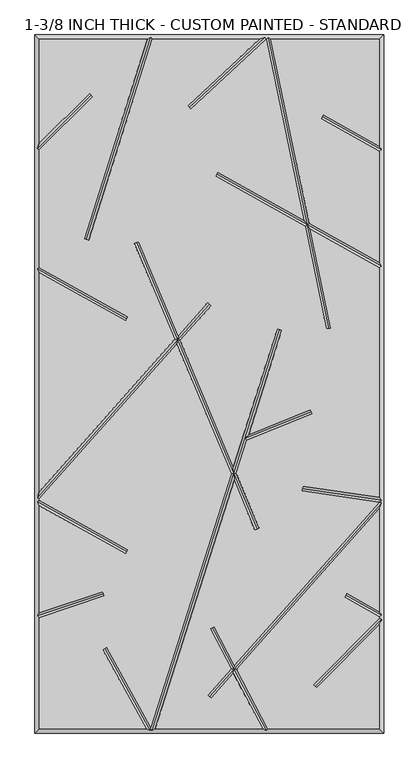
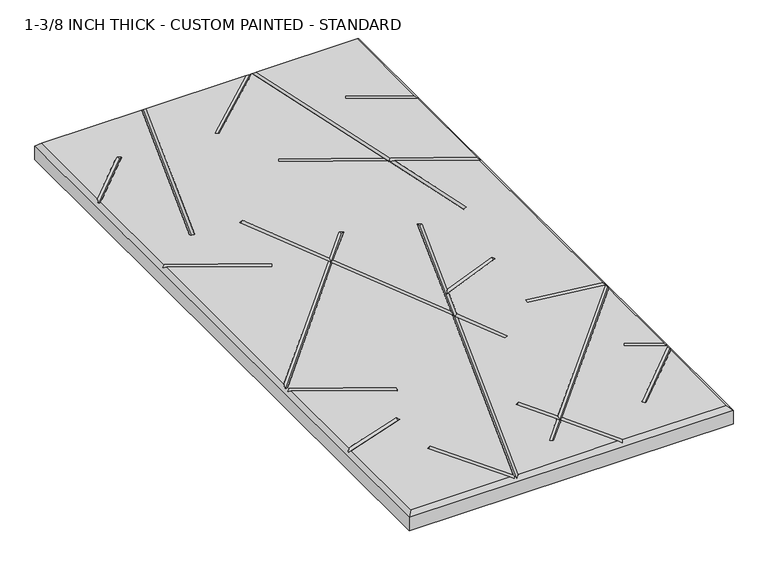
"""IFC4 building model written with IfcOpenShell, lengths in millimetres: proxy geometry, 1-3/8 INCH THICK - CUSTOM PAINTED - STANDARD."""

from ifc_helpers import new_model, si_unit, origin, place, context, project, spatial, faceted_brep, source, transform, mapped, element, save


def proxy_1_3_8_inch_thick_custom_painted_standard_042052c3(model_context):
    return source(origin(), model_context, "Body", "Brep", [
        faceted_brep([(-296.799, 601.599, 34.925), (-296.799, 420.0585614, 34.925), (-209.465267, 507.3922944, 34.925), (-203.8077056, 501.734733, 34.925), (-296.799, 408.7434386, 34.925), (-296.799, 203.3118869, 34.925), (-142.5916835, 117.1439143, 34.925), (-146.4945108, 110.1593642, 34.925), (-296.799, 194.1465147, 34.925), (-296.799, -188.1783655, 34.925), (-60.414797, 77.7314881, 34.925), (-130.9100687, 245.4965414, 34.925), (-123.5338229, 248.5960573, 34.925), (-54.5217155, 84.360647, 34.925), (-2.9898999, 142.3290618, 34.925), (2.9898999, 137.0132369, 34.925), (-51.0856167, 76.1833992, 34.925), (41.8198404, -144.9135422, 34.925), (118.4676512, 96.3670459, 34.925), (126.0931354, 93.9446518, 34.925), (68.2308495, -88.200751, 34.925), (176.389257, -44.7967941, 34.925), (179.3690728, -52.2222031, 34.925), (65.0919979, -98.0815805, 34.925), (46.6006106, -156.2908465, 34.925), (86.8913986, -252.1750957, 34.925), (79.5151528, -255.2746116, 34.925), (42.86425, -168.0525821, 34.925), (-94.8608114, -601.599, 34.925), (92.8718763, -601.599, 34.925), (41.9909547, -504.8565668, 34.925), (2.9898999, -548.7290618, 34.925), (-2.9898999, -543.4132369, 34.925), (38.011603, -497.2904271, 34.925), (1.2803392, -427.4514438, 34.925), (8.3616601, -423.7270787, 34.925), (43.691373, -490.9012234, 34.925), (296.799, -206.1791008, 34.925), (161.5180376, -186.5574472, 34.925), (162.66123, -178.6385386, 34.925), (296.799, -198.0029854, 34.925), (296.799, 203.0881131, 34.925), (176.1280645, 270.5166249, 34.925), (212.0312358, 97.6915725, 34.925), (204.1974911, 96.064168, 34.925), (166.8830535, 275.6825527, 34.925), (10.5996532, 363.0105994, 34.925), (14.5024805, 369.9951496, 34.925), (164.7289602, 286.0515892, 34.925), (99.1762375, 601.599, 34.925), (98.8402099, 601.599, 34.925), (-32.7718055, 479.8900914, 34.925), (-38.2040457, 485.7643375, 34.925), (87.055753, 601.599, 34.925), (-99.9441805, 601.599, 34.925), (-211.1838045, 251.4264167, 34.925), (-218.8092886, 253.8488108, 34.925), (-108.3391886, 601.599, 34.925), (101.9119977, -601.599, 34.925), (296.799, -601.599, 34.925), (296.799, -420.1587392, 34.925), (187.3700731, -530.5992999, 34.925), (181.6865411, -524.967829, 34.925), (296.799, -408.7911939, 34.925), (296.799, -406.5118869, 34.925), (236.129826, -372.6111626, 34.925), (240.0326533, -365.6266125, 34.925), (296.799, -397.3465147, 34.925), (296.799, -218.2216345, 34.925), (47.6707247, -498.4673632, 34.925), (173.9739712, 280.8856615, 34.925), (296.799, 212.2534853, 34.925), (296.799, 406.2881131, 34.925), (194.792886, 463.287095, 34.925), (198.6957133, 470.2716451, 34.925), (296.799, 415.4534853, 34.925), (296.799, 601.599, 34.925), (107.3480638, 601.599, 34.925), (38.0834798, -156.6752779, 34.925), (-56.9786982, 69.5542403, 34.925), (-296.799, -200.2208992, 34.925), (-296.799, -203.0881131, 34.925), (-142.5916835, -289.2560857, 34.925), (-146.4945108, -296.2406358, 34.925), (-296.799, -212.2534853, 34.925), (-296.799, -399.4880331, 34.925), (-186.4041101, -362.3555047, 34.925), (-183.8533173, -369.9390037, 34.925), (-296.799, -407.9295192, 34.925), (-296.799, -601.599, 34.925), (-110.5588891, -601.599, 34.925), (-186.2344077, -463.8225395, 34.925), (-179.2216231, -459.970676, 34.925), (-102.5869372, -599.4934169, 34.925), (-304.8, 609.6, 0.0), (304.8, 609.6, 0.0), (304.8, -609.6, 0.0), (-304.8, -609.6, 0.0), (-304.8, -609.6, 26.924), (-304.8, 609.6, 26.924), (304.8, -609.6, 26.924), (304.8, 609.6, 26.924), (-102.8708423, 605.5995, 30.9245), (97.2739907, 605.5995, 30.9245), (102.4310753, 605.5995, 30.9245), (-300.7995, -405.0543881, 30.9245), (-300.7995, -205.4353996, 30.9245), (-300.7995, -198.6998162, 30.9245), (-300.7995, 200.9646004, 30.9245), (-300.7995, 410.4005, 30.9245), (99.4959685, -605.5995, 30.9245), (-100.3291577, -605.5995, 30.9245), (-102.246608, -602.9785071, 33.5454929), (-103.7973268, -605.5995, 30.9245), (300.7995, 408.6353996, 30.9245), (300.7995, 205.4353996, 30.9245), (300.7995, -202.6224783, 30.9245), (300.7995, -207.7001838, 30.9245), (300.7995, -404.1646004, 30.9245), (300.7995, -410.4374833, 30.9245), (-206.6364863, 504.5635137, 30.9245), (-214.9965466, 252.6376137, 30.9245), (-144.5430971, 113.6516392, 30.9245), (12.5510669, 366.5028745, 30.9245), (170.4285124, 278.2841071, 30.9245), (-35.4879256, 482.8272145, 30.9245), (208.1143635, 96.8778703, 30.9245), (196.7442997, 466.77937, 30.9245), (122.2803933, 95.1558489, 30.9245), (42.3420452, -156.4830622, 30.9245), (61.850634, -95.0717351, 30.9245), (83.2032757, -253.7248536, 30.9245), (-127.2219458, 247.0462994, 30.9245), (-55.7502068, 76.9574436, 30.9245), (0.0, 139.6711493, 30.9245), (-185.1287137, -366.1472542, 30.9245), (-144.5430971, -292.7483608, 30.9245), (-182.7280154, -461.8966077, 30.9245), (4.8209997, -425.5892613, 30.9245), (42.8411639, -497.8788951, 30.9245), (184.5283071, -527.7835644, 30.9245), (238.0812397, -369.1188875, 30.9245), (0.0, -546.0711493, 30.9245), (162.0896338, -182.5979929, 30.9245), (177.8791649, -48.5094986, 30.9245)], [[[0, 1, 2, 3, 4, 5, 6, 7, 8, 9, 10, 11, 12, 13, 14, 15, 16, 17, 18, 19, 20, 21, 22, 23, 24, 25, 26, 27, 28, 29, 30, 31, 32, 33, 34, 35, 36, 37, 38, 39, 40, 41, 42, 43, 44, 45, 46, 47, 48, 49, 50, 51, 52, 53, 54, 55, 56, 57]], [[58, 59, 60, 61, 62, 63, 64, 65, 66, 67, 68, 69]], [[70, 71, 72, 73, 74, 75, 76, 77]], [[78, 79, 80, 81, 82, 83, 84, 85, 86, 87, 88, 89, 90, 91, 92, 93]], [[94, 95, 96, 97]], [[94, 97, 98, 99]], [[97, 96, 100, 98]], [[96, 95, 101, 100]], [[95, 94, 99, 101]], [[99, 0, 57, 102, 54, 53, 103, 50, 49, 104, 77, 76, 101]], [[0, 99, 98, 89, 88, 105, 85, 84, 106, 81, 80, 107, 9, 8, 108, 5, 4, 109, 1]], [[89, 98, 100, 59, 58, 110, 29, 28, 111, 112, 113, 90]], [[101, 76, 75, 114, 72, 71, 115, 41, 40, 116, 37, 117, 68, 67, 118, 64, 63, 119, 60, 59, 100]], [[2, 120, 3]], [[120, 2, 1, 109]], [[3, 120, 109, 4]], [[55, 121, 56]], [[121, 55, 54, 102]], [[56, 121, 102, 57]], [[6, 122, 7]], [[122, 6, 5, 108]], [[7, 122, 108, 8]], [[46, 123, 47]], [[41, 115, 124, 42]], [[123, 46, 45, 124]], [[115, 71, 70, 124]], [[47, 123, 124, 48]], [[51, 125, 52]], [[125, 51, 50, 103]], [[52, 125, 103, 53]], [[43, 126, 44]], [[44, 126, 124, 45]], [[124, 104, 49, 48]], [[126, 43, 42, 124]], [[104, 124, 70, 77]], [[73, 127, 74]], [[127, 73, 72, 114]], [[74, 127, 114, 75]], [[18, 128, 19]], [[111, 28, 27, 129]], [[19, 128, 130, 20]], [[129, 24, 23, 130]], [[128, 18, 17, 129, 130]], [[111, 129, 78, 93, 112]], [[25, 131, 26]], [[11, 132, 12]], [[78, 129, 133, 79]], [[26, 131, 129, 27]], [[132, 11, 10, 133]], [[129, 17, 16, 133]], [[131, 25, 24, 129]], [[12, 132, 133, 13]], [[14, 134, 15]], [[134, 14, 13, 133]], [[107, 133, 10, 9]], [[15, 134, 133, 16]], [[133, 107, 80, 79]], [[86, 135, 87]], [[135, 86, 85, 105]], [[87, 135, 105, 88]], [[82, 136, 83]], [[83, 136, 106, 84]], [[136, 82, 81, 106]], [[91, 137, 92]], [[137, 91, 90, 113]], [[92, 137, 113, 112, 93]], [[34, 138, 35]], [[29, 110, 139, 30]], [[138, 34, 33, 139]], [[110, 58, 69, 139]], [[35, 138, 139, 36]], [[61, 140, 62]], [[62, 140, 119, 63]], [[140, 61, 60, 119]], [[65, 141, 66]], [[141, 65, 64, 118]], [[66, 141, 118, 67]], [[31, 142, 32]], [[32, 142, 139, 33]], [[139, 117, 37, 36]], [[142, 31, 30, 139]], [[117, 139, 69, 68]], [[38, 143, 39]], [[143, 38, 37, 116]], [[39, 143, 116, 40]], [[21, 144, 22]], [[144, 21, 20, 130]], [[22, 144, 130, 23]]]),
    ])


if __name__ == "__main__":
    model = new_model("IFC4")
    model_context = context("Model", 3, world=origin())
    ifc_project = project(units=[si_unit("LENGTHUNIT", "METRE", prefix="MILLI")], contexts=[model_context])
    site = spatial("IfcSite", under=ifc_project)
    building = spatial("IfcBuilding", under=site)
    placement = place(None, origin())
    proxy_1_3_8_inch_thick_custom_painted_standard_shape = proxy_1_3_8_inch_thick_custom_painted_standard_042052c3(model_context)
    element("IfcBuildingElementProxy", 1, Name="1-3/8 INCH THICK - CUSTOM PAINTED - STANDARD", ObjectType="1-3/8 INCH THICK - CUSTOM PAINTED - STANDARD", at=placement, inside=building, context=model_context, shape_type="MappedRepresentation", body=[
        mapped(proxy_1_3_8_inch_thick_custom_painted_standard_shape, transform((0.0, 0.0, 0.0), x_axis=(1.0, 0.0, 0.0), y_axis=(0.0, 1.0, 0.0), z_axis=(0.0, 0.0, 1.0))),
    ])
    save(model, "model.ifc")
